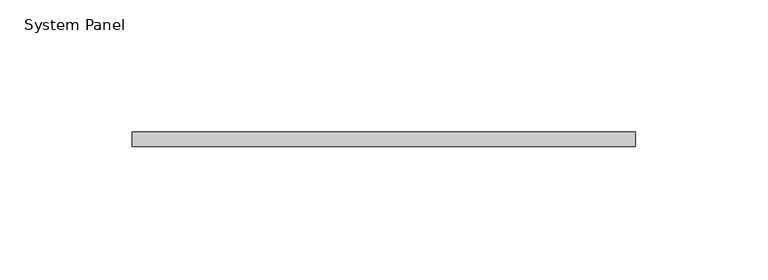
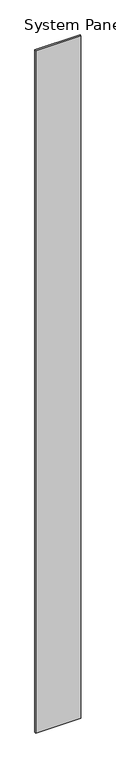
"""IFC4 building model written with IfcOpenShell, lengths in millimetres: plate geometry, System Panel."""

from ifc_helpers import new_model, si_unit, origin, origin_with_axes, place, context, project, spatial, polyline, outline, extrude, source, transform, mapped, element, save


def system_panel_e421854b(model_context):
    return source(origin(), model_context, "Body", "SweptSolid", [
        extrude(outline(polyline([(95.25, -13.49375), (-95.25, -13.49375), (-95.25, -7.9375), (95.25, -7.9375), (95.25, -13.49375)])), origin_with_axes(), (0.0, 0.0, 1.0), 3048.0),
    ])


if __name__ == "__main__":
    model = new_model("IFC4")
    model_context = context("Model", 3, world=origin())
    ifc_project = project(units=[si_unit("LENGTHUNIT", "METRE", prefix="MILLI")], contexts=[model_context])
    site = spatial("IfcSite", under=ifc_project)
    building = spatial("IfcBuilding", under=site)
    placement = place(None, origin())
    system_panel_shape = system_panel_e421854b(model_context)
    element("IfcPlate", 1, ObjectType="System Panel", at=placement, inside=building, context=model_context, shape_type="MappedRepresentation", body=[
        mapped(system_panel_shape, transform((0.0, 0.0, 0.0), x_axis=(1.0, 0.0, 0.0), y_axis=(0.0, 1.0, 0.0), z_axis=(0.0, 0.0, 1.0))),
    ])
    save(model, "model.ifc")
